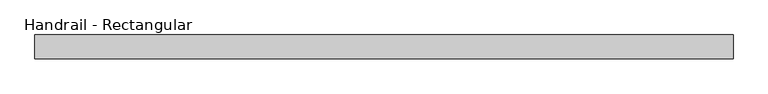
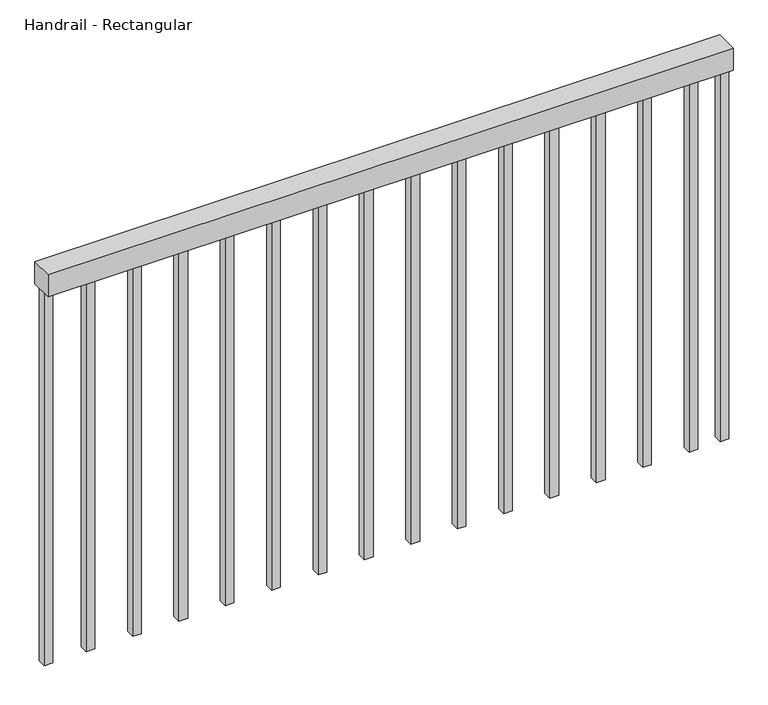
"""IFC4 building model written with IfcOpenShell, lengths in millimetres: railing geometry, Handrail - Rectangular."""

from ifc_helpers import new_model, si_unit, frame, origin, origin_with_axes, place, context, project, spatial, polyline, outline, extrude, source, transform, mapped, element, save


def handrail_rectangular_c4883e48(model_context):
    return source(origin(), model_context, "Body", "SweptSolid", [
        extrude(outline(polyline([(66249.123353, 4755.857897), (66249.123353, 4806.657897), (67749.123353, 4806.657897), (67749.123353, 4755.857897), (66249.123353, 4755.857897)])), frame((0.0, 0.0, 863.6), z_axis=(0.0, 0.0, 1.0), x_axis=(1.0, 0.0, 0.0)), (0.0, 0.0, 1.0), 50.8),
        extrude(outline(polyline([(67661.998353, 4771.732897), (67661.998353, 4790.782897), (67681.048353, 4790.782897), (67681.048353, 4771.732897), (67661.998353, 4771.732897)])), origin_with_axes(), (0.0, 0.0, 1.0), 863.6),
        extrude(outline(polyline([(67560.398353, 4771.732897), (67560.398353, 4790.782897), (67579.448353, 4790.782897), (67579.448353, 4771.732897), (67560.398353, 4771.732897)])), origin_with_axes(), (0.0, 0.0, 1.0), 863.6),
        extrude(outline(polyline([(67458.798353, 4771.732897), (67458.798353, 4790.782897), (67477.848353, 4790.782897), (67477.848353, 4771.732897), (67458.798353, 4771.732897)])), origin_with_axes(), (0.0, 0.0, 1.0), 863.6),
        extrude(outline(polyline([(67357.198353, 4771.732897), (67357.198353, 4790.782897), (67376.248353, 4790.782897), (67376.248353, 4771.732897), (67357.198353, 4771.732897)])), origin_with_axes(), (0.0, 0.0, 1.0), 863.6),
        extrude(outline(polyline([(67255.598353, 4771.732897), (67255.598353, 4790.782897), (67274.648353, 4790.782897), (67274.648353, 4771.732897), (67255.598353, 4771.732897)])), origin_with_axes(), (0.0, 0.0, 1.0), 863.6),
        extrude(outline(polyline([(67153.998353, 4771.732897), (67153.998353, 4790.782897), (67173.048353, 4790.782897), (67173.048353, 4771.732897), (67153.998353, 4771.732897)])), origin_with_axes(), (0.0, 0.0, 1.0), 863.6),
        extrude(outline(polyline([(67052.398353, 4771.732897), (67052.398353, 4790.782897), (67071.448353, 4790.782897), (67071.448353, 4771.732897), (67052.398353, 4771.732897)])), origin_with_axes(), (0.0, 0.0, 1.0), 863.6),
        extrude(outline(polyline([(66950.798353, 4771.732897), (66950.798353, 4790.782897), (66969.848353, 4790.782897), (66969.848353, 4771.732897), (66950.798353, 4771.732897)])), origin_with_axes(), (0.0, 0.0, 1.0), 863.6),
        extrude(outline(polyline([(66849.198353, 4771.732897), (66849.198353, 4790.782897), (66868.248353, 4790.782897), (66868.248353, 4771.732897), (66849.198353, 4771.732897)])), origin_with_axes(), (0.0, 0.0, 1.0), 863.6),
        extrude(outline(polyline([(66747.598353, 4771.732897), (66747.598353, 4790.782897), (66766.648353, 4790.782897), (66766.648353, 4771.732897), (66747.598353, 4771.732897)])), origin_with_axes(), (0.0, 0.0, 1.0), 863.6),
        extrude(outline(polyline([(66645.998353, 4771.732897), (66645.998353, 4790.782897), (66665.048353, 4790.782897), (66665.048353, 4771.732897), (66645.998353, 4771.732897)])), origin_with_axes(), (0.0, 0.0, 1.0), 863.6),
        extrude(outline(polyline([(66544.398353, 4771.732897), (66544.398353, 4790.782897), (66563.448353, 4790.782897), (66563.448353, 4771.732897), (66544.398353, 4771.732897)])), origin_with_axes(), (0.0, 0.0, 1.0), 863.6),
        extrude(outline(polyline([(66442.798353, 4771.732897), (66442.798353, 4790.782897), (66461.848353, 4790.782897), (66461.848353, 4771.732897), (66442.798353, 4771.732897)])), origin_with_axes(), (0.0, 0.0, 1.0), 863.6),
        extrude(outline(polyline([(66341.198353, 4771.732897), (66341.198353, 4790.782897), (66360.248353, 4790.782897), (66360.248353, 4771.732897), (66341.198353, 4771.732897)])), origin_with_axes(), (0.0, 0.0, 1.0), 863.6),
        extrude(outline(polyline([(67730.073353, 4771.732897), (67730.073353, 4790.782897), (67749.123353, 4790.782897), (67749.123353, 4771.732897), (67730.073353, 4771.732897)])), origin_with_axes(), (0.0, 0.0, 1.0), 863.6),
        extrude(outline(polyline([(66249.123353, 4771.732897), (66249.123353, 4790.782897), (66268.173353, 4790.782897), (66268.173353, 4771.732897), (66249.123353, 4771.732897)])), origin_with_axes(), (0.0, 0.0, 1.0), 863.6),
    ])


if __name__ == "__main__":
    model = new_model("IFC4")
    model_context = context("Model", 3, world=origin())
    ifc_project = project(units=[si_unit("LENGTHUNIT", "METRE", prefix="MILLI")], contexts=[model_context])
    site = spatial("IfcSite", under=ifc_project)
    building = spatial("IfcBuilding", under=site)
    placement = place(None, origin())
    handrail_rectangular_shape = handrail_rectangular_c4883e48(model_context)
    element("IfcRailing", 1, ObjectType="Handrail - Rectangular", at=placement, inside=building, context=model_context, shape_type="MappedRepresentation", body=[
        mapped(handrail_rectangular_shape, transform((0.0, 0.0, 0.0), x_axis=(1.0, 0.0, 0.0), y_axis=(0.0, 1.0, 0.0), z_axis=(0.0, 0.0, 1.0))),
    ])
    save(model, "model.ifc")
